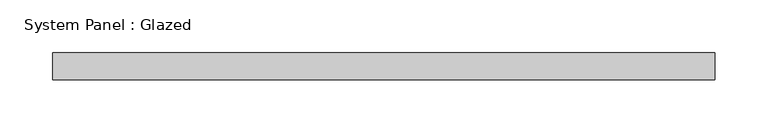
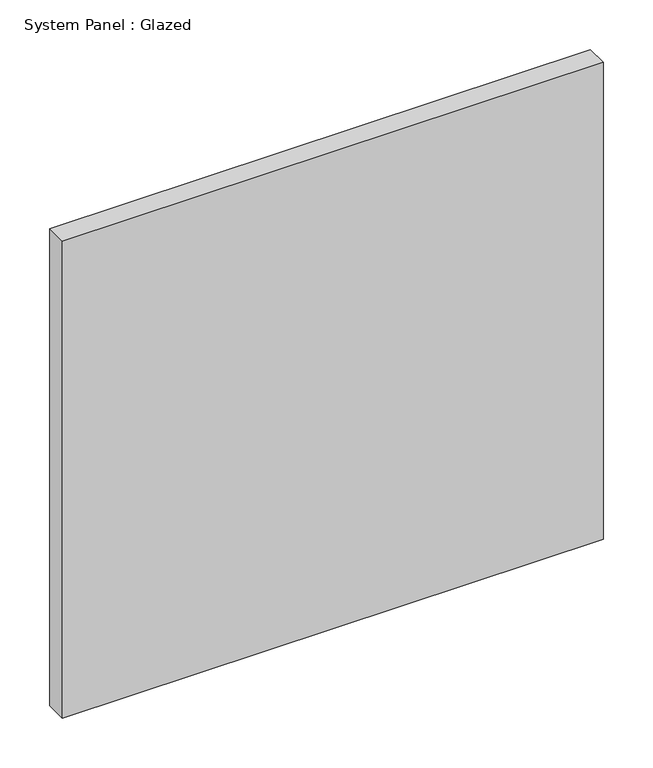
"""IFC4 building model written with IfcOpenShell, lengths in millimetres: plate geometry, System Panel : Glazed."""

from ifc_helpers import new_model, si_unit, origin, origin_with_axes, place, context, project, spatial, polyline, outline, extrude, source, transform, mapped, element, save


def system_panel_glazed_10de0dfb(model_context):
    return source(origin(), model_context, "Body", "SweptSolid", [
        extrude(outline(polyline([(313.2666667, -12.7), (-313.2666667, -12.7), (-313.2666667, 12.7), (313.2666667, 12.7), (313.2666667, -12.7)])), origin_with_axes(), (0.0, 0.0, 1.0), 584.2),
    ])


if __name__ == "__main__":
    model = new_model("IFC4")
    model_context = context("Model", 3, world=origin())
    ifc_project = project(units=[si_unit("LENGTHUNIT", "METRE", prefix="MILLI")], contexts=[model_context])
    site = spatial("IfcSite", under=ifc_project)
    building = spatial("IfcBuilding", under=site)
    placement = place(None, origin())
    system_panel_glazed_shape = system_panel_glazed_10de0dfb(model_context)
    element("IfcPlate", 1, ObjectType="System Panel : Glazed", at=placement, inside=building, context=model_context, shape_type="MappedRepresentation", body=[
        mapped(system_panel_glazed_shape, transform((0.0, 0.0, 0.0), x_axis=(1.0, 0.0, 0.0), y_axis=(0.0, 1.0, 0.0), z_axis=(0.0, 0.0, 1.0))),
    ])
    save(model, "model.ifc")
